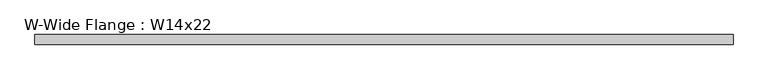
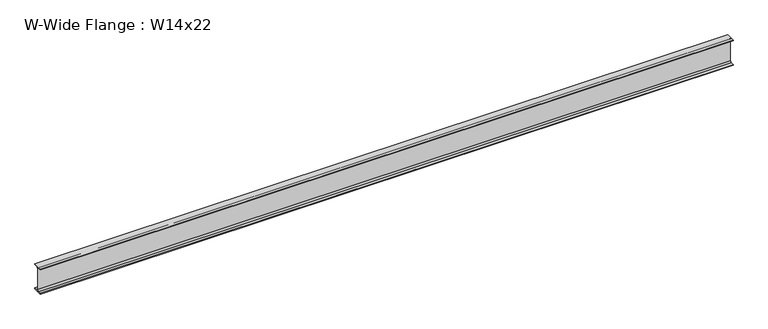
"""IFC4 building model written with IfcOpenShell, lengths in millimetres: beam geometry, W-Wide Flange : W14x22."""

from ifc_helpers import new_model, si_unit, point, frame, frame_2d, origin, place, context, project, spatial, polyline, circle_curve, trimmed, segment, composite_curve, outline, extrude, source, transform, mapped, element, save


def w_wide_flange_w14x22_8804261b(model_context):
    return source(origin(), model_context, "Body", "SweptSolid", [
        extrude(outline(composite_curve([segment(polyline([(63.5, -165.481), (63.5, -173.99), (-63.5, -173.99), (-63.5, -165.481), (-21.3995, -165.481)]), True, "CONTINUOUS"), segment(trimmed(circle_curve(frame_2d((-21.3995, -147.0025)), 18.4785), [point((-21.3995, -165.481))], [point((-2.921, -147.0025))], True, "CARTESIAN"), True, "CONTINUOUS"), segment(polyline([(-2.921, -147.0025), (-2.921, 147.0025)]), True, "CONTINUOUS"), segment(trimmed(circle_curve(frame_2d((-21.3995, 147.0025)), 18.4785), [point((-2.921, 147.0025))], [point((-21.3995, 165.481))], True, "CARTESIAN"), True, "CONTINUOUS"), segment(polyline([(-21.3995, 165.481), (-63.5, 165.481), (-63.5, 173.99), (63.5, 173.99), (63.5, 165.481), (21.3995, 165.481)]), True, "CONTINUOUS"), segment(trimmed(circle_curve(frame_2d((21.3995, 147.0025)), 18.4785), [point((21.3995, 165.481))], [point((2.921, 147.0025))], True, "CARTESIAN"), True, "CONTINUOUS"), segment(polyline([(2.921, 147.0025), (2.921, -147.0025)]), True, "CONTINUOUS"), segment(trimmed(circle_curve(frame_2d((21.3995, -147.0025)), 18.4785), [point((2.921, -147.0025))], [point((21.3995, -165.481))], True, "CARTESIAN"), True, "CONTINUOUS"), segment(polyline([(21.3995, -165.481), (63.5, -165.481)]), True, "CONTINUOUS")], self_intersect=False)), frame((-4603.9035242, 0.0, 0.0), z_axis=(1.0, 0.0, 0.0), x_axis=(0.0, 1.0, 0.0)), (0.0, 0.0, 1.0), 9214.7998235),
    ])


if __name__ == "__main__":
    model = new_model("IFC4")
    model_context = context("Model", 3, world=origin())
    ifc_project = project(units=[si_unit("LENGTHUNIT", "METRE", prefix="MILLI")], contexts=[model_context])
    site = spatial("IfcSite", under=ifc_project)
    building = spatial("IfcBuilding", under=site)
    placement = place(None, origin())
    w_wide_flange_w14x22_shape = w_wide_flange_w14x22_8804261b(model_context)
    element("IfcBeam", 1, ObjectType="W-Wide Flange : W14x22", at=placement, inside=building, context=model_context, shape_type="MappedRepresentation", body=[
        mapped(w_wide_flange_w14x22_shape, transform((0.0, 0.0, 0.0), x_axis=(1.0, 0.0, 0.0), y_axis=(0.0, 1.0, 0.0), z_axis=(0.0, 0.0, 1.0))),
    ])
    save(model, "model.ifc")
